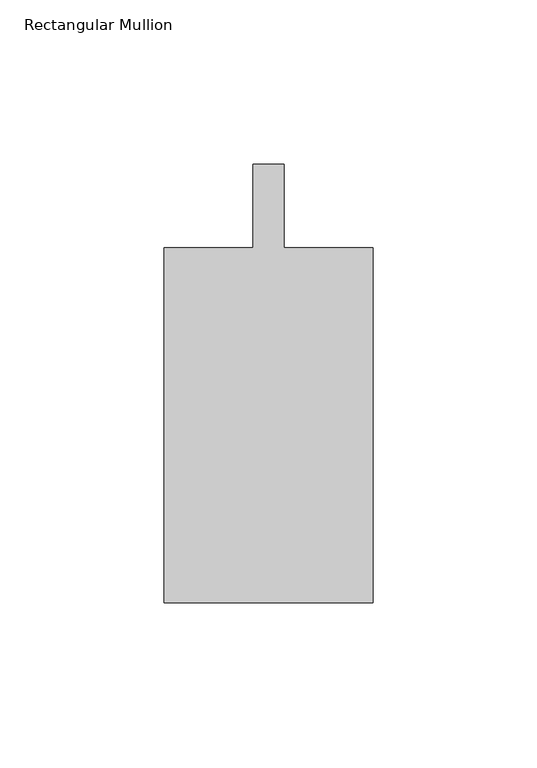
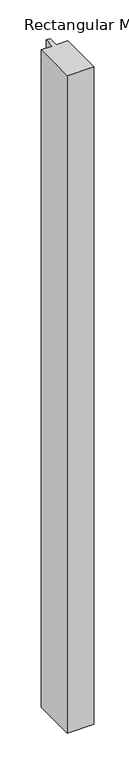
"""IFC4 building model written with IfcOpenShell, lengths in millimetres: member geometry, Rectangular Mullion."""

from ifc_helpers import new_model, si_unit, frame, origin, place, context, project, spatial, polyline, outline, extrude, source, transform, mapped, element, save


def rectangular_mullion_dd84af27(model_context):
    return source(origin(), model_context, "Body", "SweptSolid", [
        extrude(outline(polyline([(-4.7625, -12.7), (-4.7625, 12.7), (4.7625, 12.7), (4.7625, -12.7), (31.75, -12.7), (31.75, -120.65), (-31.75, -120.65), (-31.75, -12.7), (-4.7625, -12.7)])), frame((0.0, 0.0, -1663.7), z_axis=(0.0, 0.0, 1.0), x_axis=(1.0, 0.0, 0.0)), (0.0, 0.0, 1.0), 1663.7),
    ])


if __name__ == "__main__":
    model = new_model("IFC4")
    model_context = context("Model", 3, world=origin())
    ifc_project = project(units=[si_unit("LENGTHUNIT", "METRE", prefix="MILLI")], contexts=[model_context])
    site = spatial("IfcSite", under=ifc_project)
    building = spatial("IfcBuilding", under=site)
    placement = place(None, origin())
    rectangular_mullion_shape = rectangular_mullion_dd84af27(model_context)
    element("IfcMember", 1, ObjectType="Rectangular Mullion", at=placement, inside=building, context=model_context, shape_type="MappedRepresentation", body=[
        mapped(rectangular_mullion_shape, transform((0.0, 0.0, 0.0), x_axis=(1.0, 0.0, 0.0), y_axis=(0.0, 1.0, 0.0), z_axis=(0.0, 0.0, 1.0))),
    ])
    save(model, "model.ifc")
